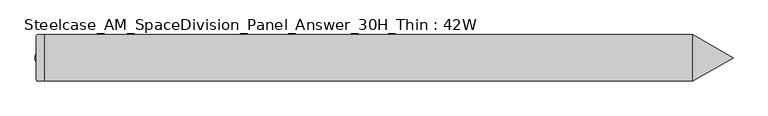
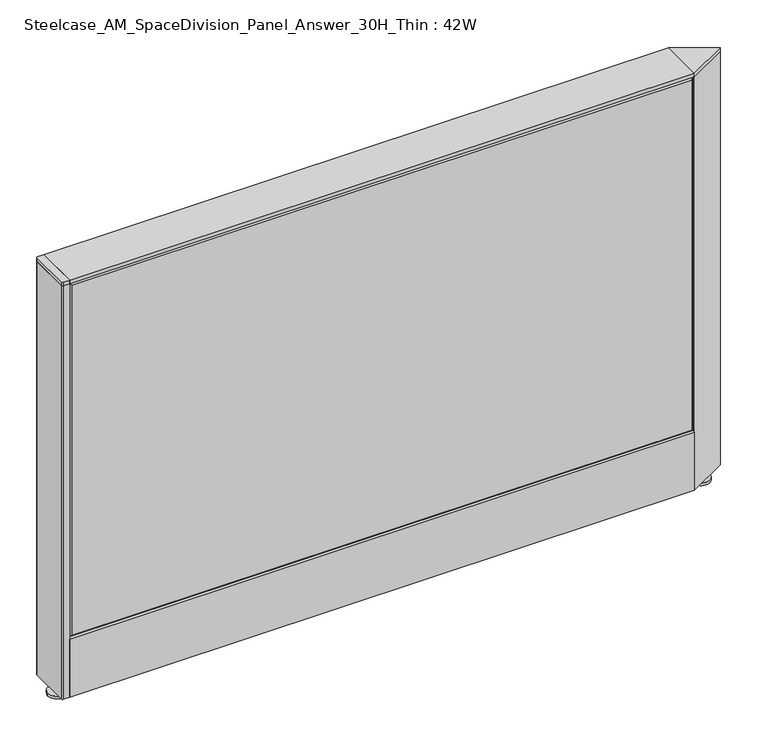
"""IFC4 building model written with IfcOpenShell, lengths in millimetres: furniture geometry, Steelcase_AM_SpaceDivision_Panel_Answer_30H_Thin : 42W."""

from ifc_helpers import new_model, si_unit, point, frame, frame_2d, origin, place, context, project, spatial, polyline, circle_curve, trimmed, segment, composite_curve, outline, extrude, faceted_brep, source, transform, mapped, element, save


def steelcase_am_spacedivision_panel_answer_30h_thin_42w_25ec27cc(model_context):
    return source(origin(), model_context, "Body", "SolidModel", [
        extrude(outline(polyline([(37.3075215, 119.8575157), (25.4000011, 119.8575157), (25.4000011, 120.65), (38.1000194, 120.65), (38.1000194, 15.494), (37.3075215, 15.494), (37.3075215, 119.8575157)])), frame((-533.4, 0.0, 0.0), z_axis=(1.0, 0.0, 0.0), x_axis=(0.0, 1.0, 0.0)), (0.0, 0.0, 1.0), 1066.8),
        extrude(outline(polyline([(-37.3075215, 119.8575157), (-37.3075215, 15.494), (-38.1000194, 15.494), (-38.1000194, 120.65), (-25.4000011, 120.65), (-25.4000011, 119.8575157), (-37.3075215, 119.8575157)])), frame((-533.4, 0.0, 0.0), z_axis=(1.0, 0.0, 0.0), x_axis=(0.0, 1.0, 0.0)), (0.0, 0.0, 1.0), 1066.8),
        extrude(outline(composite_curve([segment(trimmed(circle_curve(frame_2d((566.42, -1.94e-05)), 5.08), [point((571.5, -1.94e-05))], [point((561.34, -1.94e-05))], False, "CARTESIAN"), True, "CONTINUOUS"), segment(trimmed(circle_curve(frame_2d((566.42, -1.94e-05)), 5.08), [point((561.34, -1.94e-05))], [point((571.5, -1.94e-05))], False, "CARTESIAN"), True, "CONTINUOUS")], self_intersect=False)), frame((0.0, 0.0, 5.0799671), z_axis=(0.0, 0.0, 1.0), x_axis=(1.0, 0.0, 0.0)), (0.0, 0.0, 1.0), 10.414),
        extrude(outline(composite_curve([segment(trimmed(circle_curve(frame_2d((566.42, -1.94e-05)), 15.24), [point((581.66, -1.94e-05))], [point((551.18, -1.94e-05))], False, "CARTESIAN"), True, "CONTINUOUS"), segment(trimmed(circle_curve(frame_2d((566.42, -1.94e-05)), 15.24), [point((551.18, -1.94e-05))], [point((581.66, -1.94e-05))], False, "CARTESIAN"), True, "CONTINUOUS")], self_intersect=False)), frame((0.0, 0.0, -3.29e-05), z_axis=(0.0, 0.0, 1.0), x_axis=(1.0, 0.0, 0.0)), (0.0, 0.0, 1.0), 5.08),
        extrude(outline(polyline([(533.4, 38.0999611), (599.3935144, -1.94e-05), (533.4, -38.1), (533.4, 38.0999611)])), frame((0.0, 0.0, 761.9999671), z_axis=(0.0, 0.0, 1.0), x_axis=(1.0, 0.0, 0.0)), (0.0, 0.0, 1.0), 6.35),
        extrude(outline(polyline([(533.4, -38.1), (533.4, 38.0999611), (599.3935144, -1.94e-05), (533.4, -38.1)])), frame((0.0, 0.0, 15.4939671), z_axis=(0.0, 0.0, 1.0), x_axis=(1.0, 0.0, 0.0)), (0.0, 0.0, 1.0), 746.506),
        extrude(outline(composite_curve([segment(trimmed(circle_curve(frame_2d((-533.4, 0.0)), 5.08), [point((-538.48, 0.0))], [point((-528.32, 0.0))], False, "CARTESIAN"), True, "CONTINUOUS"), segment(trimmed(circle_curve(frame_2d((-533.4, 0.0)), 5.08), [point((-528.32, 0.0))], [point((-538.48, 0.0))], False, "CARTESIAN"), True, "CONTINUOUS")], self_intersect=False)), frame((0.0, 0.0, 5.0799671), z_axis=(0.0, 0.0, 1.0), x_axis=(1.0, 0.0, 0.0)), (0.0, 0.0, 1.0), 10.414),
        extrude(outline(composite_curve([segment(trimmed(circle_curve(frame_2d((-533.4, 0.0)), 15.24), [point((-548.64, 0.0))], [point((-518.16, 0.0))], False, "CARTESIAN"), True, "CONTINUOUS"), segment(trimmed(circle_curve(frame_2d((-533.4, 0.0)), 15.24), [point((-518.16, 0.0))], [point((-548.64, 0.0))], False, "CARTESIAN"), True, "CONTINUOUS")], self_intersect=False)), frame((0.0, 0.0, -3.29e-05), z_axis=(0.0, 0.0, 1.0), x_axis=(1.0, 0.0, 0.0)), (0.0, 0.0, 1.0), 5.08),
        extrude(outline(composite_curve([segment(polyline([(-546.1, -36.3220194), (-546.1, 36.3219806)]), True, "CONTINUOUS"), segment(trimmed(circle_curve(frame_2d((-544.322, 36.3219806)), 1.778), [point((-546.1, 36.3219806))], [point((-544.322, 38.0999806))], False, "CARTESIAN"), True, "CONTINUOUS"), segment(polyline([(-544.322, 38.0999806), (-533.4, 38.0999806), (-533.4, -38.1000194), (-544.322, -38.1000194)]), True, "CONTINUOUS"), segment(trimmed(circle_curve(frame_2d((-544.322, -36.3220194)), 1.778), [point((-544.322, -38.1000194))], [point((-546.1, -36.3220194))], False, "CARTESIAN"), True, "CONTINUOUS")], self_intersect=False)), frame((0.0, 0.0, 761.9999671), z_axis=(0.0, 0.0, 1.0), x_axis=(1.0, 0.0, 0.0)), (0.0, 0.0, 1.0), 6.35),
        extrude(outline(composite_curve([segment(polyline([(-546.1, -36.3220194), (-546.1, 36.3219806)]), True, "CONTINUOUS"), segment(trimmed(circle_curve(frame_2d((-544.322, 36.3219806)), 1.778), [point((-546.1, 36.3219806))], [point((-544.322, 38.0999806))], False, "CARTESIAN"), True, "CONTINUOUS"), segment(polyline([(-544.322, 38.0999806), (-533.4, 38.0999806), (-533.4, -38.1000194), (-544.322, -38.1000194)]), True, "CONTINUOUS"), segment(trimmed(circle_curve(frame_2d((-544.322, -36.3220194)), 1.778), [point((-544.322, -38.1000194))], [point((-546.1, -36.3220194))], False, "CARTESIAN"), True, "CONTINUOUS")], self_intersect=False)), frame((0.0, 0.0, 15.4939671), z_axis=(0.0, 0.0, 1.0), x_axis=(1.0, 0.0, 0.0)), (0.0, 0.0, 1.0), 746.506),
        faceted_brep([(528.574, 38.100001, 757.174), (528.574, 38.100001, 125.476), (-528.574, 38.100001, 125.476), (-528.574, 38.100001, 757.174), (533.4, 33.274001, 762.0), (-533.4, 33.274001, 762.0), (-533.4, 33.274001, 120.65), (533.4, 33.274001, 120.65)], [[[0, 1, 2, 3]], [[4, 5, 6, 7]], [[4, 0, 3, 5]], [[5, 3, 2, 6]], [[6, 2, 1, 7]], [[7, 1, 0, 4]]]),
        faceted_brep([(528.574, -38.100001, 757.174), (-528.574, -38.100001, 757.174), (-528.574, -38.100001, 125.476), (528.574, -38.100001, 125.476), (533.4, -33.274001, 762.0), (533.4, -33.274001, 120.65), (-533.4, -33.274001, 120.65), (-533.4, -33.274001, 762.0)], [[[0, 1, 2, 3]], [[4, 5, 6, 7]], [[4, 7, 1, 0]], [[7, 6, 2, 1]], [[6, 5, 3, 2]], [[5, 4, 0, 3]]]),
        extrude(outline(polyline([(533.4, 38.1000194), (533.4, -38.1000194), (-533.4, -38.1000194), (-533.4, 38.1000194), (533.4, 38.1000194)])), frame((0.0, 0.0, 762.0), z_axis=(0.0, 0.0, 1.0), x_axis=(1.0, 0.0, 0.0)), (0.0, 0.0, 1.0), 6.35),
    ])


if __name__ == "__main__":
    model = new_model("IFC4")
    model_context = context("Model", 3, world=origin())
    ifc_project = project(units=[si_unit("LENGTHUNIT", "METRE", prefix="MILLI")], contexts=[model_context])
    site = spatial("IfcSite", under=ifc_project)
    building = spatial("IfcBuilding", under=site)
    placement = place(None, origin())
    steelcase_am_spacedivision_panel_answer_30h_thin_42w_shape = steelcase_am_spacedivision_panel_answer_30h_thin_42w_25ec27cc(model_context)
    element("IfcFurniture", 1, ObjectType="Steelcase_AM_SpaceDivision_Panel_Answer_30H_Thin : 42W", at=placement, inside=building, context=model_context, shape_type="MappedRepresentation", body=[
        mapped(steelcase_am_spacedivision_panel_answer_30h_thin_42w_shape, transform((0.0, 0.0, 0.0), x_axis=(1.0, 0.0, 0.0), y_axis=(0.0, 1.0, 0.0), z_axis=(0.0, 0.0, 1.0))),
    ])
    save(model, "model.ifc")
